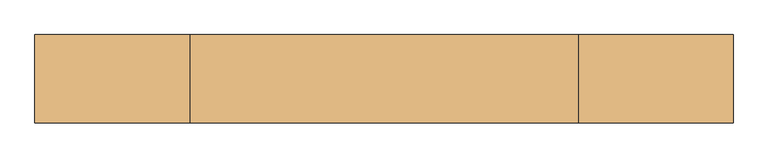
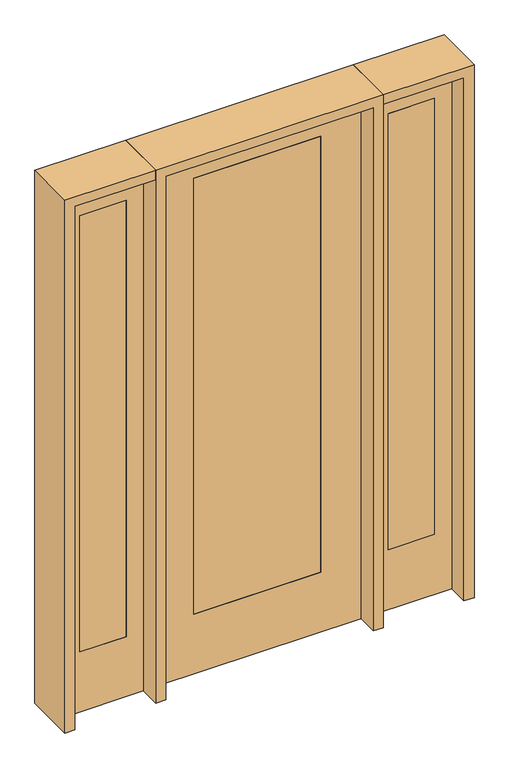
"""IFC4 building model written with IfcOpenShell, lengths in millimetres: door geometry."""

from ifc_helpers import new_model, si_unit, frame, origin, place, context, project, spatial, polyline, outline, extrude, source, transform, mapped, element, save


def door_45d00a98(model_context):
    return source(origin(), model_context, "Body", "SweptSolid", [
        extrude(outline(polyline([(577.85, -20.6375), (577.85, 20.6375), (781.05, 20.6375), (781.05, -20.6375), (577.85, -20.6375)])), frame((0.0, 0.0, 279.4), z_axis=(0.0, 0.0, 1.0), x_axis=(1.0, 0.0, 0.0)), (0.0, 0.0, 1.0), 2032.0),
        extrude(outline(polyline([(0.0, 857.25), (2438.4, 857.25), (2438.4, 501.65), (0.0, 501.65), (0.0, 857.25)]), holes=[polyline([(2311.4, 577.85), (2311.4, 781.05), (279.4, 781.05), (279.4, 577.85), (2311.4, 577.85)])]), frame((0.0, -20.6375, 0.0), z_axis=(0.0, 1.0, 0.0), x_axis=(0.0, 0.0, 1.0)), (0.0, 0.0, 1.0), 41.275),
        extrude(outline(polyline([(-577.85, -20.6375), (-781.05, -20.6375), (-781.05, 20.6375), (-577.85, 20.6375), (-577.85, -20.6375)])), frame((0.0, 0.0, 279.4), z_axis=(0.0, 0.0, 1.0), x_axis=(1.0, 0.0, 0.0)), (0.0, 0.0, 1.0), 2032.0),
        extrude(outline(polyline([(0.0, -857.25), (0.0, -501.65), (2438.4, -501.65), (2438.4, -857.25), (0.0, -857.25)]), holes=[polyline([(2311.4, -577.85), (279.4, -577.85), (279.4, -781.05), (2311.4, -781.05), (2311.4, -577.85)])]), frame((0.0, -20.6375, 0.0), z_axis=(0.0, 1.0, 0.0), x_axis=(0.0, 0.0, 1.0)), (0.0, 0.0, 1.0), 41.275),
        extrude(outline(polyline([(2438.4, 457.2), (2438.4, -457.2), (0.0, -457.2), (0.0, 457.2), (2438.4, 457.2)]), holes=[polyline([(279.4, 279.4), (279.4, -279.4), (2311.4, -279.4), (2311.4, 279.4), (279.4, 279.4)])]), frame((0.0, -20.6375, 0.0), z_axis=(0.0, 1.0, 0.0), x_axis=(0.0, 0.0, 1.0)), (0.0, 0.0, 1.0), 41.275),
        extrude(outline(polyline([(279.4, -20.6375), (-279.4, -20.6375), (-279.4, 20.6375), (279.4, 20.6375), (279.4, -20.6375)])), frame((0.0, 0.0, 279.4), z_axis=(0.0, 0.0, 1.0), x_axis=(1.0, 0.0, 0.0)), (0.0, 0.0, 1.0), 2032.0),
        extrude(outline(polyline([(2438.4, -501.65), (2482.85, -501.65), (2482.85, -901.7), (0.0, -901.7), (0.0, -857.25), (2438.4, -857.25), (2438.4, -501.65)])), frame((0.0, -114.3, 0.0), z_axis=(0.0, 1.0, 0.0), x_axis=(0.0, 0.0, 1.0)), (0.0, 0.0, 1.0), 228.6),
        extrude(outline(polyline([(2482.85, -501.65), (0.0, -501.65), (0.0, -457.2), (2438.4, -457.2), (2438.4, 457.2), (0.0, 457.2), (0.0, 501.65), (2482.85, 501.65), (2482.85, -501.65)])), frame((0.0, -114.3, 0.0), z_axis=(0.0, 1.0, 0.0), x_axis=(0.0, 0.0, 1.0)), (0.0, 0.0, 1.0), 228.6),
        extrude(outline(polyline([(0.0, 857.25), (0.0, 901.7), (2482.85, 901.7), (2482.85, 501.65), (2438.4, 501.65), (2438.4, 857.25), (0.0, 857.25)])), frame((0.0, -114.3, 0.0), z_axis=(0.0, 1.0, 0.0), x_axis=(0.0, 0.0, 1.0)), (0.0, 0.0, 1.0), 228.6),
    ])


if __name__ == "__main__":
    model = new_model("IFC4")
    model_context = context("Model", 3, world=origin())
    ifc_project = project(units=[si_unit("LENGTHUNIT", "METRE", prefix="MILLI")], contexts=[model_context])
    site = spatial("IfcSite", under=ifc_project)
    building = spatial("IfcBuilding", under=site)
    placement = place(None, origin())
    door_shape = door_45d00a98(model_context)
    element("IfcDoor", 1, at=placement, inside=building, context=model_context, shape_type="MappedRepresentation", body=[
        mapped(door_shape, transform((0.0, 0.0, 0.0), x_axis=(1.0, 0.0, 0.0), y_axis=(0.0, 1.0, 0.0), z_axis=(0.0, 0.0, 1.0))),
    ])
    save(model, "model.ifc")
